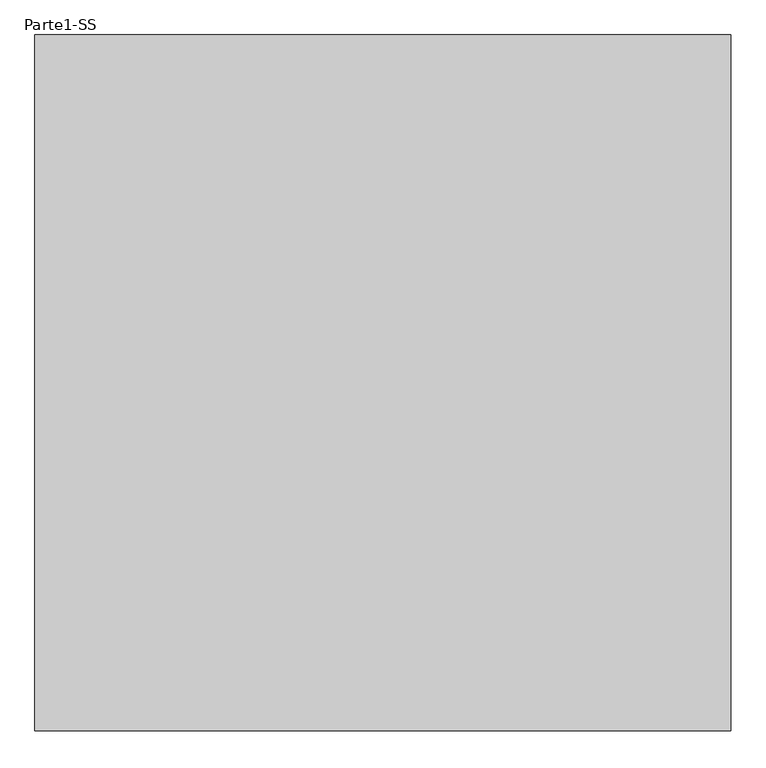
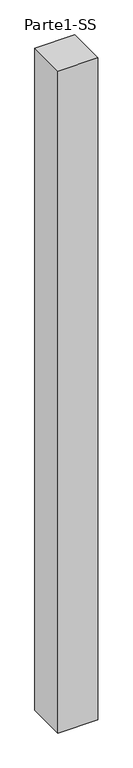
"""IFC4 building model written with IfcOpenShell, lengths in millimetres: proxy geometry, Parte1-SS."""

from ifc_helpers import new_model, si_unit, frame, origin, place, context, project, spatial, polyline, outline, extrude, source, transform, mapped, element, save


def parte1_ss_2f6e3117(model_context):
    return source(origin(), model_context, "Body", "SweptSolid", [
        extrude(outline(polyline([(4000.0, 4000.0), (4000.0, 0.0), (0.0, 0.0), (0.0, 4000.0), (4000.0, 4000.0)])), frame((0.0, 0.0, 25000.0), z_axis=(0.0, 0.0, 1.0), x_axis=(1.0, 0.0, 0.0)), (0.0, 0.0, 1.0), 70000.0),
    ])


if __name__ == "__main__":
    model = new_model("IFC4")
    model_context = context("Model", 3, world=origin())
    ifc_project = project(units=[si_unit("LENGTHUNIT", "METRE", prefix="MILLI")], contexts=[model_context])
    site = spatial("IfcSite", under=ifc_project)
    building = spatial("IfcBuilding", under=site)
    placement = place(None, origin())
    parte1_ss_shape = parte1_ss_2f6e3117(model_context)
    element("IfcBuildingElementProxy", 1, Name="Parte1-SS", ObjectType="Parte1-SS", at=placement, inside=building, context=model_context, shape_type="MappedRepresentation", body=[
        mapped(parte1_ss_shape, transform((0.0, 0.0, 0.0), x_axis=(1.0, 0.0, 0.0), y_axis=(0.0, 1.0, 0.0), z_axis=(0.0, 0.0, 1.0))),
    ])
    save(model, "model.ifc")
